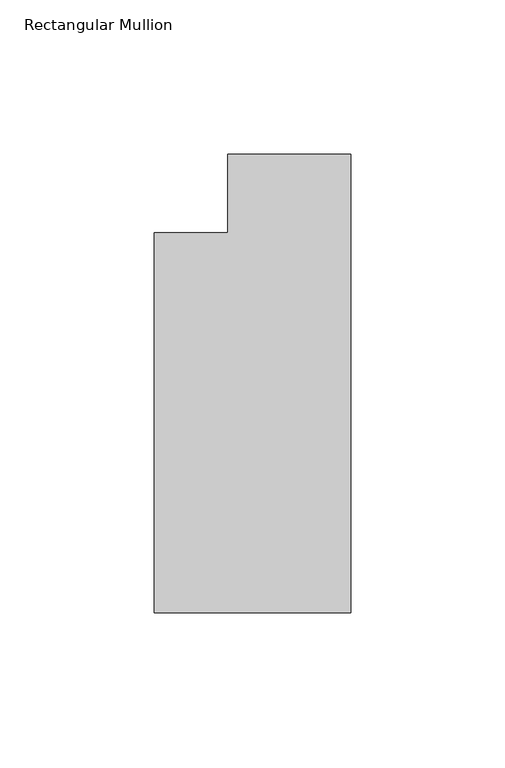
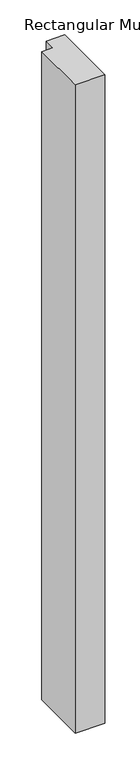
"""IFC4 building model written with IfcOpenShell, lengths in millimetres: member geometry, Rectangular Mullion."""

from ifc_helpers import new_model, si_unit, frame, origin, place, context, project, spatial, polyline, outline, extrude, source, transform, mapped, element, save


def rectangular_mullion_6fae0d8c(model_context):
    return source(origin(), model_context, "Body", "SweptSolid", [
        extrude(outline(polyline([(0.0, -135.73125), (-63.5, -135.73125), (-63.5, -12.7), (-39.6875, -12.7), (-39.6875, 12.7), (0.0, 12.7), (0.0, -135.73125)])), frame((0.0, 0.0, -1460.5), z_axis=(0.0, 0.0, 1.0), x_axis=(1.0, 0.0, 0.0)), (0.0, 0.0, 1.0), 1460.5),
    ])


if __name__ == "__main__":
    model = new_model("IFC4")
    model_context = context("Model", 3, world=origin())
    ifc_project = project(units=[si_unit("LENGTHUNIT", "METRE", prefix="MILLI")], contexts=[model_context])
    site = spatial("IfcSite", under=ifc_project)
    building = spatial("IfcBuilding", under=site)
    placement = place(None, origin())
    rectangular_mullion_shape = rectangular_mullion_6fae0d8c(model_context)
    element("IfcMember", 1, ObjectType="Rectangular Mullion", at=placement, inside=building, context=model_context, shape_type="MappedRepresentation", body=[
        mapped(rectangular_mullion_shape, transform((0.0, 0.0, 0.0), x_axis=(1.0, 0.0, 0.0), y_axis=(0.0, 1.0, 0.0), z_axis=(0.0, 0.0, 1.0))),
    ])
    save(model, "model.ifc")
